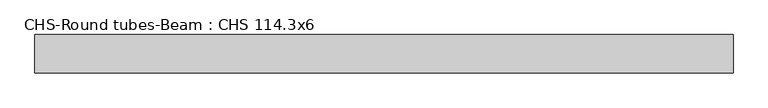
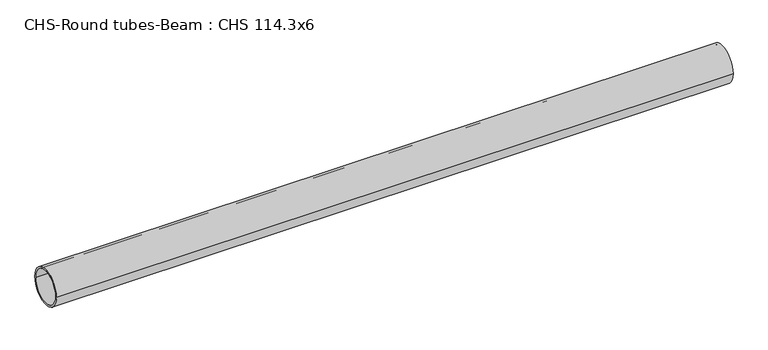
"""IFC4 building model written with IfcOpenShell, lengths in millimetres: beam geometry, CHS-Round tubes-Beam : CHS 114.3x6."""

from ifc_helpers import new_model, si_unit, point, frame, origin, origin_2d, place, context, project, spatial, circle_curve, trimmed, segment, composite_curve, outline, extrude, source, transform, mapped, element, save


def chs_round_tubes_beam_chs_114_3x6_20809794(model_context):
    return source(origin(), model_context, "Body", "SweptSolid", [
        extrude(outline(composite_curve([segment(trimmed(circle_curve(origin_2d(), 57.15), [point((57.15, 0.0))], [point((-57.15, 0.0))], False, "CARTESIAN"), True, "CONTINUOUS"), segment(trimmed(circle_curve(origin_2d(), 57.15), [point((-57.15, 0.0))], [point((57.15, 0.0))], False, "CARTESIAN"), True, "CONTINUOUS")], self_intersect=False), holes=[composite_curve([segment(trimmed(circle_curve(origin_2d(), 51.15), [point((51.15, 0.0))], [point((-51.15, 0.0))], True, "CARTESIAN"), True, "CONTINUOUS"), segment(trimmed(circle_curve(origin_2d(), 51.15), [point((-51.15, 0.0))], [point((51.15, 0.0))], True, "CARTESIAN"), True, "CONTINUOUS")], self_intersect=False)]), frame((-939.3741174, 0.0, 0.0), z_axis=(1.0, 0.0, 0.0), x_axis=(0.0, 1.0, 0.0)), (0.0, 0.0, 1.0), 2080.1735509),
    ])


if __name__ == "__main__":
    model = new_model("IFC4")
    model_context = context("Model", 3, world=origin())
    ifc_project = project(units=[si_unit("LENGTHUNIT", "METRE", prefix="MILLI")], contexts=[model_context])
    site = spatial("IfcSite", under=ifc_project)
    building = spatial("IfcBuilding", under=site)
    placement = place(None, origin())
    chs_round_tubes_beam_chs_114_3x6_shape = chs_round_tubes_beam_chs_114_3x6_20809794(model_context)
    element("IfcBeam", 1, ObjectType="CHS-Round tubes-Beam : CHS 114.3x6", at=placement, inside=building, context=model_context, shape_type="MappedRepresentation", body=[
        mapped(chs_round_tubes_beam_chs_114_3x6_shape, transform((0.0, 0.0, 0.0), x_axis=(1.0, 0.0, 0.0), y_axis=(0.0, 1.0, 0.0), z_axis=(0.0, 0.0, 1.0))),
    ])
    save(model, "model.ifc")
